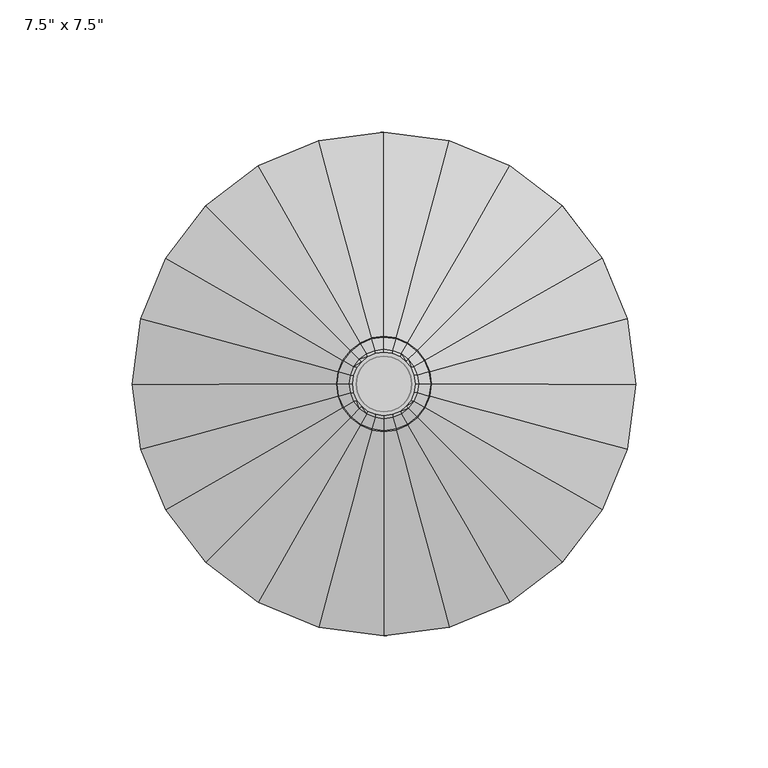
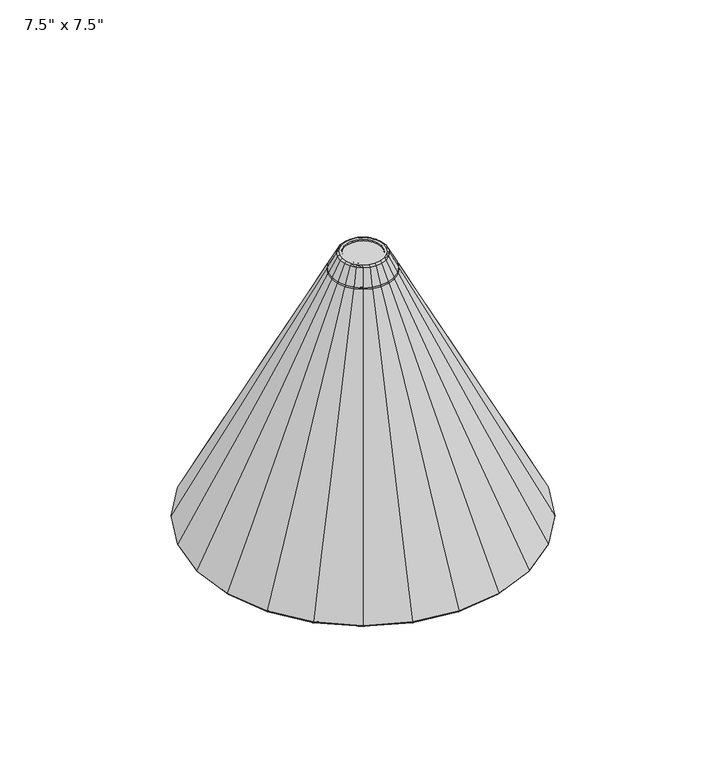
"""IFC4 building model written with IfcOpenShell, lengths in millimetres: furniture geometry."""

from ifc_helpers import new_model, si_unit, origin, place, context, project, spatial, triangles, source, transform, mapped, element, save


def furniture_ed0538de(model_context):
    return source(origin(), model_context, "Body", "Tessellation", [
        triangles([(-91.5980063, -24.5435691, -156.5808131), (-86.6872505, -23.2277383, -156.5808131), (-77.7216731, -44.872579, -156.5808131), (-82.1245384, -47.4145704, -156.5808131), (-63.4594986, -63.459435, -156.5808131), (-67.0544281, -67.0543555, -156.5808131), (-44.8726471, -77.7216368, -156.5808131), (-47.4146386, -82.124493, -156.5808131), (-23.2278109, -86.6872232, -156.5808131), (-24.5436463, -91.5979791, -156.5808131), (-4.18e-05, -89.7452397, -156.5808131), (-4.42e-05, -94.8292226, -156.5808131), (23.2277315, -86.6872505, -156.5808131), (24.54356, -91.5980063, -156.5808131), (44.8725699, -77.7216822, -156.5808131), (47.4145614, -82.1245384, -156.5808131), (63.4594259, -63.4595077, -156.5808131), (67.0543464, -67.0544281, -156.5808131), (77.7216368, -44.8726698, -156.5808131), (82.1244839, -47.4146704, -156.5808131), (86.6872232, -23.2278382, -156.5808131), (91.5979791, -24.5436758, -156.5808131), (89.7452397, 0.0, -156.5808131), (94.8292226, 0.0, -156.5808131), (88.8142827, 0.0, -156.5808131), (85.7880049, 22.9868282, -156.5808131), (86.6872414, 23.2277769, -156.5808131), (76.9154269, 44.4071414, -156.5808131), (77.7216549, 44.8726199, -156.5808131), (62.8011812, 62.8011812, -156.5808131), (63.4594623, 63.4594623, -156.5808131), (44.4071368, 76.9154269, -156.5808131), (44.8726108, 77.7216549, -156.5808131), (22.9868327, 85.7880049, -156.5808131), (23.2277792, 86.6872414, -156.5808131), (6.7e-06, 88.8142827, -156.5808131), (6.8e-06, 89.7452397, -156.5808131), (-22.9868168, 85.788023, -156.5808131), (-23.2277633, 86.6872505, -156.5808131), (-44.4071277, 76.9154269, -156.5808131), (-44.8726017, 77.7216549, -156.5808131), (-62.8011676, 62.8012039, -156.5808131), (-63.4594577, 63.459485, -156.5808131), (-76.9154178, 44.4071686, -156.5808131), (-77.7216459, 44.8726471, -156.5808131), (-85.7879958, 22.9868577, -156.5808131), (-86.6872232, 23.2278087, -156.5808131), (-88.8142827, 3.46e-05, -156.5808131), (-89.7452397, 3.5e-05, -156.5808131), (-85.788023, -22.9867896, -156.5808131), (-76.9154451, -44.407105, -156.5808131), (-62.8012176, -62.801154, -156.5808131), (-44.4071686, -76.9154178, -156.5808131), (-22.9868623, -85.7879958, -156.5808131), (-4.14e-05, -88.8142827, -156.5808131), (22.9867828, -85.788023, -156.5808131), (44.4070914, -76.9154541, -156.5808131), (62.8011358, -62.8012266, -156.5808131), (76.9154087, -44.4071913, -156.5808131), (85.7879958, -22.9868918, -156.5808131), (95.25, 0.0, -155.9011126), (92.0044223, 24.6525128, -155.9011126), (76.3369738, 20.4544314, -124.4590002), (79.0298509, 0.0, -124.4590002), (82.4889148, 47.625, -155.9011126), (68.4418525, 39.5149254, -124.4590002), (67.3519163, 67.3519163, -155.9011126), (55.8825401, 55.8825401, -124.4590002), (47.6249955, 82.4889148, -155.9011126), (39.5149209, 68.4418616, -124.4590002), (24.652515, 92.0044223, -155.9011126), (20.4544314, 76.3369738, -124.4590002), (7.2e-06, 95.25, -155.9011126), (6e-06, 79.0298509, -124.4590002), (-24.6524991, 92.0044314, -155.9011126), (-20.4544224, 76.3369829, -124.4590002), (-47.6249773, 82.4889148, -155.9011126), (-39.5149164, 68.4418662, -124.4590002), (-67.3518936, 67.35193, -155.9011126), (-55.8825265, 55.8825537, -124.4590002), (-82.4889057, 47.6250227, -155.9011126), (-68.4418435, 39.5149436, -124.4590002), (-92.0044223, 24.6525423, -155.9011126), (-76.3369648, 20.4544564, -124.4590002), (-95.25, 3.71e-05, -155.9011126), (-79.0298509, 3.08e-05, -124.4590002), (-92.0044405, -24.6524719, -155.9011126), (-76.3369829, -20.4543974, -124.4590002), (-82.4889421, -47.6249546, -155.9011126), (-68.4418753, -39.5148937, -124.4590002), (-67.3519436, -67.3518755, -155.9011126), (-55.8825719, -55.8825083, -124.4590002), (-47.6250227, -82.4889057, -155.9011126), (-39.5149482, -68.4418435, -124.4590002), (-24.6525491, -92.0044223, -155.9011126), (-20.4544632, -76.3369648, -124.4590002), (-4.43e-05, -95.25, -155.9011126), (-3.67e-05, -79.0298509, -124.4590002), (24.6524651, -92.0044405, -155.9011126), (20.4543906, -76.3369829, -124.4590002), (47.6249455, -82.4889421, -155.9011126), (39.5148846, -68.4418753, -124.4590002), (67.3518709, -67.3519618, -155.9011126), (55.8825083, -55.8825765, -124.4590002), (82.4888785, -47.625059, -155.9011126), (68.4418298, -39.5149709, -124.4590002), (92.0044132, -24.6525809, -155.9011126), (76.3369466, -20.4544859, -124.4590002), (60.3308333, 16.1655989, -92.3371872), (62.4590782, 0.0, -92.3371872), (54.0911478, 31.2295391, -92.3371872), (44.1652366, 44.1652366, -92.3371872), (31.2295368, 54.0911478, -92.3371872), (16.1656012, 60.3308333, -92.3371872), (4.7e-06, 62.4590782, -92.3371872), (-16.1655921, 60.3308424, -92.3371872), (-31.22953, 54.0911524, -92.3371872), (-44.1652275, 44.1652502, -92.3371872), (-54.0911387, 31.2295527, -92.3371872), (-60.3308333, 16.1656194, -92.3371872), (-62.4590782, 2.43e-05, -92.3371872), (-60.3308424, -16.1655717, -92.3371872), (-54.0911615, -31.2295118, -92.3371872), (-44.1652639, -44.1652184, -92.3371872), (-31.2295573, -54.0911387, -92.3371872), (-16.1656216, -60.3308287, -92.3371872), (-2.9e-05, -62.4590782, -92.3371872), (16.1655671, -60.3308424, -92.3371872), (31.2295073, -54.091166, -92.3371872), (44.1652094, -44.1652639, -92.3371872), (54.0911297, -31.2295732, -92.3371872), (60.3308242, -16.1656444, -92.3371872), (44.3246927, 11.8767653, -60.2153743), (45.888301, 0.0, -60.2153743), (39.740434, 22.9441505, -60.2153743), (32.4479263, 32.4479263, -60.2153743), (22.9441482, 39.740434, -60.2153743), (11.8767664, 44.3246927, -60.2153743), (3.5e-06, 45.888301, -60.2153743), (-11.8767607, 44.3246927, -60.2153743), (-22.9441437, 39.740434, -60.2153743), (-32.4479195, 32.4479331, -60.2153743), (-39.7404249, 22.9441596, -60.2153743), (-44.3246882, 11.8767812, -60.2153743), (-45.888301, 1.79e-05, -60.2153743), (-44.3247018, -11.876746, -60.2153743), (-39.7404431, -22.94413, -60.2153743), (-32.447949, -32.4479127, -60.2153743), (-22.9441641, -39.7404249, -60.2153743), (-11.8767835, -44.3246882, -60.2153743), (-2.13e-05, -45.888301, -60.2153743), (11.8767426, -44.3247018, -60.2153743), (22.9441255, -39.7404477, -60.2153743), (32.4479081, -32.447949, -60.2153743), (39.7404204, -22.9441755, -60.2153743), (44.3246836, -11.8767994, -60.2153743), (28.3185567, 7.5879345, -28.0935614), (29.317526, 0.0, -28.0935614), (25.3897225, 14.658763, -28.0935614), (20.7306205, 20.7306205, -28.0935614), (14.6587607, 25.3897225, -28.0935614), (7.5879351, 28.3185567, -28.0935614), (2.2e-06, 29.317526, -28.0935614), (-7.5879299, 28.3185567, -28.0935614), (-14.6587585, 25.3897225, -28.0935614), (-20.730616, 20.7306251, -28.0935614), (-25.389718, 14.6587709, -28.0935614), (-28.3185522, 7.587943, -28.0935614), (-29.317526, 1.14e-05, -28.0935614), (-28.318559, -7.587922, -28.0935614), (-25.3897293, -14.6587505, -28.0935614), (-20.7306342, -20.7306092, -28.0935614), (-14.6587709, -25.3897157, -28.0935614), (-7.5879453, -28.3185522, -28.0935614), (-1.36e-05, -29.317526, -28.0935614), (7.5879186, -28.318559, -28.0935614), (14.6587471, -25.3897316, -28.0935614), (20.7306092, -20.7306342, -28.0935614), (25.3897134, -14.6587789, -28.0935614), (28.3185476, -7.5879544, -28.0935614), (17.4961534, 4.6880803, -6.3747165), (18.113352, 0.0, -6.3747165), (15.686622, 9.056676, -6.3747165), (12.808072, 12.808072, -6.3747165), (9.056676, 15.6866243, -6.3747165), (4.6880803, 17.4961534, -6.3747165), (1.4e-06, 18.113352, -6.3747165), (-4.6880777, 17.4961534, -6.3747165), (-9.0566732, 15.6866243, -6.3747165), (-12.8080697, 12.8080765, -6.3747165), (-15.6866186, 9.0566789, -6.3747165), (-17.4961534, 4.6880859, -6.3747165), (-18.113352, 7.1e-06, -6.3747165), (-17.4961579, -4.6880726, -6.3747165), (-15.6866277, -9.0566681, -6.3747165), (-12.8080799, -12.8080675, -6.3747165), (-9.0566806, -15.6866186, -6.3747165), (-4.6880874, -17.49615, -6.3747165), (-8.4e-06, -18.113352, -6.3747165), (4.6880712, -17.4961579, -6.3747165), (9.0566658, -15.6866277, -6.3747165), (12.8080663, -12.8080822, -6.3747165), (15.6866163, -9.0566857, -6.3747165), (17.49615, -4.688093, -6.3747165), (12.6511026, 3.3898526, 3.3485442), (11.54761, 3.2991017, 4.0282309), (11.9819449, 0.0, 4.0282309), (13.0973848, 0.0, 3.3485442), (11.3426682, 6.5486924, 3.3485442), (10.2742037, 6.3733749, 4.0282309), (9.2612505, 9.2612505, 3.3485442), (8.4678482, 8.4678482, 4.0282309), (6.5486924, 11.3426693, 3.3485442), (6.3733749, 10.2742048, 4.0282309), (3.3898532, 12.6511026, 3.3485442), (3.2991017, 11.54761, 4.0282309), (0.0, 13.0973848, 3.3485442), (0.0, 11.9819449, 4.0282309), (-3.3898512, 12.6511026, 3.3485442), (-3.2991006, 11.5476111, 4.0282309), (-6.5486907, 11.3426693, 3.3485442), (-6.3733732, 10.2742059, 4.0282309), (-9.2612477, 9.2612522, 3.3485442), (-8.4678453, 8.4678505, 4.0282309), (-11.3426659, 6.5486958, 3.3485442), (-10.2742025, 6.3733778, 4.0282309), (-12.6511014, 3.3898568, 3.3485442), (-11.54761, 3.2991059, 4.0282309), (-13.0973848, 5.1e-06, 3.3485442), (-11.9819449, 4.8e-06, 4.0282309), (-12.6511048, -3.3898472, 3.3485442), (-11.5476123, -3.2990969, 4.0282309), (-11.3426704, -6.5486873, 3.3485442), (-10.2742071, -6.3733704, 4.0282309), (-9.2612551, -9.261246, 3.3485442), (-8.4678539, -8.4678436, 4.0282309), (-6.5486964, -11.3426648, 3.3485442), (-6.3733789, -10.2742014, 4.0282309), (-3.389858, -12.6511014, 3.3485442), (-3.2991062, -11.5476077, 4.0282309), (-6.1e-06, -13.0973848, 3.3485442), (-5.7e-06, -11.9819449, 4.0282309), (3.3898463, -12.6511048, 3.3485442), (3.2990957, -11.5476123, 4.0282309), (6.5486862, -11.3426727, 3.3485442), (6.3733687, -10.2742094, 4.0282309), (9.2612449, -9.2612562, 3.3485442), (8.4678436, -8.4678539, 4.0282309), (11.3426648, -6.5487004, 3.3485442), (10.2742003, -6.3733829, 4.0282309), (12.6511003, -3.3898622, 3.3485442), (11.5476077, -3.2991102, 4.0282309), (91.5979973, 24.54361, -156.5808131), (82.1245203, 47.4146113, -156.5808131), (67.0543827, 67.0543827, -156.5808131), (47.4146068, 82.1245203, -156.5808131), (24.5436123, 91.5979973, -156.5808131), (7.1e-06, 94.8292226, -156.5808131), (-24.5435964, 91.5980063, -156.5808131), (-47.4145931, 82.1245203, -156.5808131), (-67.0543691, 67.0544054, -156.5808131), (-82.1245112, 47.4146386, -156.5808131), (-91.5979791, 24.5436418, -156.5808131), (-94.8292226, 3.7e-05, -156.5808131), (17.6189316, 0.0, -5.4162738), (17.018581, 4.5601149, -5.4162738), (15.2584414, 8.8094658, -5.4162738), (12.4584658, 12.4584658, -5.4162738), (8.8094652, 15.2584425, -5.4162738), (4.5601152, 17.018581, -5.4162738), (1.3e-06, 17.6189316, -5.4162738), (-4.560113, 17.018581, -5.4162738), (-8.809463, 15.2584436, -5.4162738), (-12.4584624, 12.4584692, -5.4162738), (-15.2584391, 8.8094686, -5.4162738), (-17.0185788, 4.5601203, -5.4162738), (-17.6189316, 6.9e-06, -5.4162738), (-17.0185844, -4.5601073, -5.4162738), (-15.258447, -8.8094584, -5.4162738), (-12.4584715, -12.4584601, -5.4162738), (-8.8094703, -15.258438, -5.4162738), (-4.5601218, -17.0185776, -5.4162738), (-8.2e-06, -17.6189316, -5.4162738), (4.5601059, -17.0185844, -5.4162738), (8.8094567, -15.258447, -5.4162738), (12.458459, -12.4584749, -5.4162738), (15.2584368, -8.8094755, -5.4162738), (17.0185776, -4.5601274, -5.4162738), (16.1331541, 4.3228659, -5.5411907), (16.7022724, 0.0, -5.5411907), (17.0695579, 0.0, -6.2497854), (16.4879244, 4.417927, -6.2497854), (14.4645911, 8.3511362, -5.5411907), (14.7826699, 8.5347789, -6.2497854), (11.8102882, 11.8102882, -5.5411907), (12.069997, 12.069997, -6.2497854), (8.3511351, 14.4645911, -5.5411907), (8.5347778, 14.7826699, -6.2497854), (4.3228659, 16.1331541, -5.5411907), (4.417927, 16.4879244, -6.2497854), (1.3e-06, 16.7022702, -5.5411907), (1.3e-06, 17.0695579, -6.2497854), (-4.3228636, 16.1331541, -5.5411907), (-4.4179242, 16.4879244, -6.2497854), (-8.3511334, 14.4645911, -5.5411907), (-8.5347761, 14.7826721, -6.2497854), (-11.8102847, 11.8102904, -5.5411907), (-12.0699948, 12.0700016, -6.2497854), (-14.4645899, 8.3511391, -5.5411907), (-14.7826665, 8.5347806, -6.2497854), (-16.1331541, 4.322871, -5.5411907), (-16.4879244, 4.4179322, -6.2497854), (-16.7022724, 6.7e-06, -5.5411907), (-17.0695579, 6.8e-06, -6.2497854), (-16.1331552, -4.322858, -5.5411907), (-16.4879301, -4.4179185, -6.2497854), (-14.4645956, -8.3511283, -5.5411907), (-14.7826767, -8.5347704, -6.2497854), (-11.8102938, -11.8102825, -5.5411907), (-12.0700061, -12.0699948, -6.2497854), (-8.3511396, -14.4645877, -5.5411907), (-8.5347835, -14.7826653, -6.2497854), (-4.3228724, -16.1331541, -5.5411907), (-4.417933, -16.4879244, -6.2497854), (-7.8e-06, -16.7022724, -5.5411907), (-7.9e-06, -17.069559, -6.2497854), (4.3228577, -16.1331575, -5.5411907), (4.4179171, -16.4879301, -6.2497854), (8.3511277, -14.4645956, -5.5411907), (8.5347687, -14.7826767, -6.2497854), (11.8102825, -11.8102972, -5.5411907), (12.0699914, -12.0700061, -6.2497854), (14.4645843, -8.3511453, -5.5411907), (14.782663, -8.5347875, -6.2497854), (16.1331507, -4.3228767, -5.5411907), (16.4879244, -4.4179378, -6.2497854), (10.0841478, 2.8809972, 4.0282309), (10.4634374, 0.0, 4.0282309), (8.9721251, 5.5656589, 4.0282309), (7.3946931, 7.3946931, 4.0282309), (5.5656589, 8.9721251, 4.0282309), (2.8809972, 10.0841478, 4.0282309), (0.0, 10.4634374, 4.0282309), (-2.8809958, 10.0841478, 4.0282309), (-5.5656566, 8.9721251, 4.0282309), (-7.3946914, 7.3946953, 4.0282309), (-8.9721234, 5.5656611, 4.0282309), (-10.0841478, 2.8810009, 4.0282309), (-10.4634374, 4.2e-06, 4.0282309), (-10.0841501, -2.880993, 4.0282309), (-8.9721279, -5.5656543, 4.0282309), (-7.3946982, -7.3946902, 4.0282309), (-5.5656628, -8.9721222, 4.0282309), (-2.8810009, -10.0841478, 4.0282309), (-5e-06, -10.4634374, 4.0282309), (2.8809915, -10.0841501, 4.0282309), (5.5656532, -8.9721279, 4.0282309), (7.3946902, -7.3946982, 4.0282309), (8.9721222, -5.5656663, 4.0282309), (10.0841456, -2.8810046, 4.0282309), (10.4634374, 0.0, 2.9553324), (10.0841478, 2.8809972, 2.9553324), (0.0, 0.0, 2.9553324), (8.9721251, 5.5656589, 2.9553324), (7.3946931, 7.3946931, 2.9553324), (5.5656589, 8.9721251, 2.9553324), (2.8809972, 10.0841478, 2.9553324), (0.0, 10.4634374, 2.9553324), (-2.8809958, 10.0841478, 2.9553324), (-5.5656566, 8.9721251, 2.9553324), (-7.3946925, 7.3946953, 2.9553324), (-8.9721239, 5.5656611, 2.9553324), (-10.0841478, 2.8810009, 2.9553324), (-10.4634374, 4.2e-06, 2.9553324), (-10.0841501, -2.880993, 2.9553324), (-8.9721279, -5.5656543, 2.9553324), (-7.3946982, -7.3946902, 2.9553324), (-5.5656628, -8.9721222, 2.9553324), (-2.8810009, -10.0841478, 2.9553324), (-5e-06, -10.4634374, 2.9553324), (2.8809915, -10.0841501, 2.9553324), (5.5656532, -8.9721279, 2.9553324), (7.3946902, -7.3946982, 2.9553324), (8.9721222, -5.5656663, 2.9553324), (10.0841456, -2.8810046, 2.9553324)], [[1, 2, 3], [3, 4, 1], [4, 3, 5], [5, 6, 4], [6, 5, 7], [7, 8, 6], [8, 7, 9], [9, 10, 8], [10, 9, 11], [11, 12, 10], [12, 11, 13], [13, 14, 12], [14, 13, 15], [15, 16, 14], [16, 15, 17], [17, 18, 16], [18, 17, 19], [19, 20, 18], [20, 19, 21], [21, 22, 20], [22, 21, 23], [23, 24, 22], [25, 26, 27], [27, 23, 25], [26, 28, 29], [29, 27, 26], [28, 30, 31], [31, 29, 28], [30, 32, 33], [33, 31, 30], [32, 34, 35], [35, 33, 32], [34, 36, 37], [37, 35, 34], [36, 38, 39], [39, 37, 36], [38, 40, 41], [41, 39, 38], [40, 42, 43], [43, 41, 40], [42, 44, 45], [45, 43, 42], [44, 46, 47], [47, 45, 44], [46, 48, 49], [49, 47, 46], [48, 50, 2], [2, 49, 48], [50, 51, 3], [3, 2, 50], [51, 52, 5], [5, 3, 51], [52, 53, 7], [7, 5, 52], [53, 54, 9], [9, 7, 53], [54, 55, 11], [11, 9, 54], [55, 56, 13], [13, 11, 55], [56, 57, 15], [15, 13, 56], [57, 58, 17], [17, 15, 57], [58, 59, 19], [19, 17, 58], [59, 60, 21], [21, 19, 59], [60, 25, 23], [23, 21, 60], [61, 62, 63], [63, 64, 61], [62, 65, 66], [66, 63, 62], [65, 67, 68], [68, 66, 65], [67, 69, 70], [70, 68, 67], [69, 71, 72], [72, 70, 69], [71, 73, 74], [74, 72, 71], [73, 75, 76], [76, 74, 73], [75, 77, 78], [78, 76, 75], [77, 79, 80], [80, 78, 77], [79, 81, 82], [82, 80, 79], [81, 83, 84], [84, 82, 81], [83, 85, 86], [86, 84, 83], [85, 87, 88], [88, 86, 85], [87, 89, 90], [90, 88, 87], [89, 91, 92], [92, 90, 89], [91, 93, 94], [94, 92, 91], [93, 95, 96], [96, 94, 93], [95, 97, 98], [98, 96, 95], [97, 99, 100], [100, 98, 97], [99, 101, 102], [102, 100, 99], [101, 103, 104], [104, 102, 101], [103, 105, 106], [106, 104, 103], [105, 107, 108], [108, 106, 105], [107, 61, 64], [64, 108, 107], [64, 63, 109], [109, 110, 64], [63, 66, 111], [111, 109, 63], [66, 68, 112], [112, 111, 66], [68, 70, 113], [113, 112, 68], [70, 72, 114], [114, 113, 70], [72, 74, 115], [115, 114, 72], [74, 76, 116], [116, 115, 74], [76, 78, 117], [117, 116, 76], [78, 80, 118], [118, 117, 78], [80, 82, 119], [119, 118, 80], [82, 84, 120], [120, 119, 82], [84, 86, 121], [121, 120, 84], [86, 88, 122], [122, 121, 86], [88, 90, 123], [123, 122, 88], [90, 92, 124], [124, 123, 90], [92, 94, 125], [125, 124, 92], [94, 96, 126], [126, 125, 94], [96, 98, 127], [127, 126, 96], [98, 100, 128], [128, 127, 98], [100, 102, 129], [129, 128, 100], [102, 104, 130], [130, 129, 102], [104, 106, 131], [131, 130, 104], [106, 108, 132], [132, 131, 106], [108, 64, 110], [110, 132, 108], [110, 109, 133], [133, 134, 110], [109, 111, 135], [135, 133, 109], [111, 112, 136], [136, 135, 111], [112, 113, 137], [137, 136, 112], [113, 114, 138], [138, 137, 113], [114, 115, 139], [139, 138, 114], [115, 116, 140], [140, 139, 115], [116, 117, 141], [141, 140, 116], [117, 118, 142], [142, 141, 117], [118, 119, 143], [143, 142, 118], [119, 120, 144], [144, 143, 119], [120, 121, 145], [145, 144, 120], [121, 122, 146], [146, 145, 121], [122, 123, 147], [147, 146, 122], [123, 124, 148], [148, 147, 123], [124, 125, 149], [149, 148, 124], [125, 126, 150], [150, 149, 125], [126, 127, 151], [151, 150, 126], [127, 128, 152], [152, 151, 127], [128, 129, 153], [153, 152, 128], [129, 130, 154], [154, 153, 129], [130, 131, 155], [155, 154, 130], [131, 132, 156], [156, 155, 131], [132, 110, 134], [134, 156, 132], [134, 133, 157], [157, 158, 134], [133, 135, 159], [159, 157, 133], [135, 136, 160], [160, 159, 135], [136, 137, 161], [161, 160, 136], [137, 138, 162], [162, 161, 137], [138, 139, 163], [163, 162, 138], [139, 140, 164], [164, 163, 139], [140, 141, 165], [165, 164, 140], [141, 142, 166], [166, 165, 141], [142, 143, 167], [167, 166, 142], [143, 144, 168], [168, 167, 143], [144, 145, 169], [169, 168, 144], [145, 146, 170], [170, 169, 145], [146, 147, 171], [171, 170, 146], [147, 148, 172], [172, 171, 147], [148, 149, 173], [173, 172, 148], [149, 150, 174], [174, 173, 149], [150, 151, 175], [175, 174, 150], [151, 152, 176], [176, 175, 151], [152, 153, 177], [177, 176, 152], [153, 154, 178], [178, 177, 153], [154, 155, 179], [179, 178, 154], [155, 156, 180], [180, 179, 155], [156, 134, 158], [158, 180, 156], [157, 181, 182], [182, 158, 157], [159, 183, 181], [181, 157, 159], [160, 184, 183], [183, 159, 160], [161, 185, 184], [184, 160, 161], [162, 186, 185], [185, 161, 162], [163, 187, 186], [186, 162, 163], [164, 188, 187], [187, 163, 164], [165, 189, 188], [188, 164, 165], [166, 190, 189], [189, 165, 166], [167, 191, 190], [190, 166, 167], [168, 192, 191], [191, 167, 168], [169, 193, 192], [192, 168, 169], [170, 194, 193], [193, 169, 170], [171, 195, 194], [194, 170, 171], [172, 196, 195], [195, 171, 172], [173, 197, 196], [196, 172, 173], [174, 198, 197], [197, 173, 174], [175, 199, 198], [198, 174, 175], [176, 200, 199], [199, 175, 176], [177, 201, 200], [200, 176, 177], [178, 202, 201], [201, 177, 178], [179, 203, 202], [202, 178, 179], [180, 204, 203], [203, 179, 180], [158, 182, 204], [204, 180, 158], [205, 206, 207], [207, 208, 205], [209, 210, 206], [206, 205, 209], [211, 212, 210], [210, 209, 211], [213, 214, 212], [212, 211, 213], [215, 216, 214], [214, 213, 215], [217, 218, 216], [216, 215, 217], [219, 220, 218], [218, 217, 219], [221, 222, 220], [220, 219, 221], [223, 224, 222], [222, 221, 223], [225, 226, 224], [224, 223, 225], [227, 228, 226], [226, 225, 227], [229, 230, 228], [228, 227, 229], [231, 232, 230], [230, 229, 231], [233, 234, 232], [232, 231, 233], [235, 236, 234], [234, 233, 235], [237, 238, 236], [236, 235, 237], [239, 240, 238], [238, 237, 239], [241, 242, 240], [240, 239, 241], [243, 244, 242], [242, 241, 243], [245, 246, 244], [244, 243, 245], [247, 248, 246], [246, 245, 247], [249, 250, 248], [248, 247, 249], [251, 252, 250], [250, 249, 251], [208, 207, 252], [252, 251, 208], [61, 24, 253], [253, 62, 61], [62, 253, 254], [254, 65, 62], [65, 254, 255], [255, 67, 65], [67, 255, 256], [256, 69, 67], [69, 256, 257], [257, 71, 69], [71, 257, 258], [258, 73, 71], [73, 258, 259], [259, 75, 73], [75, 259, 260], [260, 77, 75], [77, 260, 261], [261, 79, 77], [79, 261, 262], [262, 81, 79], [81, 262, 263], [263, 83, 81], [83, 263, 264], [264, 85, 83], [85, 264, 1], [1, 87, 85], [87, 1, 4], [4, 89, 87], [89, 4, 6], [6, 91, 89], [91, 6, 8], [8, 93, 91], [93, 8, 10], [10, 95, 93], [95, 10, 12], [12, 97, 95], [97, 12, 14], [14, 99, 97], [99, 14, 16], [16, 101, 99], [101, 16, 18], [18, 103, 101], [103, 18, 20], [20, 105, 103], [105, 20, 22], [22, 107, 105], [107, 22, 24], [24, 61, 107], [205, 208, 265], [265, 266, 205], [209, 205, 266], [266, 267, 209], [211, 209, 267], [267, 268, 211], [213, 211, 268], [268, 269, 213], [215, 213, 269], [269, 270, 215], [217, 215, 270], [270, 271, 217], [219, 217, 271], [271, 272, 219], [221, 219, 272], [272, 273, 221], [223, 221, 273], [273, 274, 223], [225, 223, 274], [274, 275, 225], [227, 225, 275], [275, 276, 227], [229, 227, 276], [276, 277, 229], [231, 229, 277], [277, 278, 231], [233, 231, 278], [278, 279, 233], [235, 233, 279], [279, 280, 235], [237, 235, 280], [280, 281, 237], [239, 237, 281], [281, 282, 239], [241, 239, 282], [282, 283, 241], [243, 241, 283], [283, 284, 243], [245, 243, 284], [284, 285, 245], [247, 245, 285], [285, 286, 247], [249, 247, 286], [286, 287, 249], [251, 249, 287], [287, 288, 251], [208, 251, 288], [288, 265, 208], [289, 290, 291], [291, 292, 289], [293, 289, 292], [292, 294, 293], [295, 293, 294], [294, 296, 295], [297, 295, 296], [296, 298, 297], [299, 297, 298], [298, 300, 299], [301, 299, 300], [300, 302, 301], [303, 301, 302], [302, 304, 303], [305, 303, 304], [304, 306, 305], [307, 305, 306], [306, 308, 307], [309, 307, 308], [308, 310, 309], [311, 309, 310], [310, 312, 311], [313, 311, 312], [312, 314, 313], [315, 313, 314], [314, 316, 315], [317, 315, 316], [316, 318, 317], [319, 317, 318], [318, 320, 319], [321, 319, 320], [320, 322, 321], [323, 321, 322], [322, 324, 323], [325, 323, 324], [324, 326, 325], [327, 325, 326], [326, 328, 327], [329, 327, 328], [328, 330, 329], [331, 329, 330], [330, 332, 331], [333, 331, 332], [332, 334, 333], [335, 333, 334], [334, 336, 335], [290, 335, 336], [336, 291, 290], [182, 181, 292], [292, 291, 182], [181, 183, 294], [294, 292, 181], [183, 184, 296], [296, 294, 183], [184, 185, 298], [298, 296, 184], [185, 186, 300], [300, 298, 185], [186, 187, 302], [302, 300, 186], [187, 188, 304], [304, 302, 187], [188, 189, 306], [306, 304, 188], [189, 190, 308], [308, 306, 189], [190, 191, 310], [310, 308, 190], [191, 192, 312], [312, 310, 191], [192, 193, 314], [314, 312, 192], [193, 194, 316], [316, 314, 193], [194, 195, 318], [318, 316, 194], [195, 196, 320], [320, 318, 195], [196, 197, 322], [322, 320, 196], [197, 198, 324], [324, 322, 197], [198, 199, 326], [326, 324, 198], [199, 200, 328], [328, 326, 199], [200, 201, 330], [330, 328, 200], [201, 202, 332], [332, 330, 201], [202, 203, 334], [334, 332, 202], [203, 204, 336], [336, 334, 203], [204, 182, 291], [291, 336, 204], [207, 206, 337], [337, 338, 207], [206, 210, 339], [339, 337, 206], [210, 212, 340], [340, 339, 210], [212, 214, 341], [341, 340, 212], [214, 216, 342], [342, 341, 214], [216, 218, 343], [343, 342, 216], [218, 220, 344], [344, 343, 218], [220, 222, 345], [345, 344, 220], [222, 224, 346], [346, 345, 222], [224, 226, 347], [347, 346, 224], [226, 228, 348], [348, 347, 226], [228, 230, 349], [349, 348, 228], [230, 232, 350], [350, 349, 230], [232, 234, 351], [351, 350, 232], [234, 236, 352], [352, 351, 234], [236, 238, 353], [353, 352, 236], [238, 240, 354], [354, 353, 238], [240, 242, 355], [355, 354, 240], [242, 244, 356], [356, 355, 242], [244, 246, 357], [357, 356, 244], [246, 248, 358], [358, 357, 246], [248, 250, 359], [359, 358, 248], [250, 252, 360], [360, 359, 250], [252, 207, 338], [338, 360, 252], [361, 362, 363], [362, 364, 363], [364, 365, 363], [365, 366, 363], [366, 367, 363], [367, 368, 363], [368, 369, 363], [369, 370, 363], [370, 371, 363], [371, 372, 363], [372, 373, 363], [373, 374, 363], [374, 375, 363], [375, 376, 363], [376, 377, 363], [377, 378, 363], [378, 379, 363], [379, 380, 363], [380, 381, 363], [381, 382, 363], [382, 383, 363], [383, 384, 363], [384, 385, 363], [385, 361, 363], [375, 374, 349], [349, 350, 375], [376, 375, 350], [350, 351, 376], [377, 376, 351], [351, 352, 377], [378, 377, 352], [352, 353, 378], [379, 378, 353], [353, 354, 379], [380, 379, 354], [354, 355, 380], [381, 380, 355], [355, 356, 381], [382, 381, 356], [356, 357, 382], [383, 382, 357], [357, 358, 383], [384, 383, 358], [358, 359, 384], [385, 384, 359], [359, 360, 385], [361, 385, 360], [360, 338, 361], [24, 23, 27], [27, 253, 24], [253, 27, 29], [29, 254, 253], [254, 29, 31], [31, 255, 254], [255, 31, 33], [33, 256, 255], [256, 33, 35], [35, 257, 256], [257, 35, 37], [37, 258, 257], [258, 37, 39], [39, 259, 258], [259, 39, 41], [41, 260, 259], [260, 41, 43], [43, 261, 260], [261, 43, 45], [45, 262, 261], [262, 45, 47], [47, 263, 262], [263, 47, 49], [49, 264, 263], [264, 49, 2], [2, 1, 264]], closed=False),
        triangles([(88.8142827, 0.0, -156.5808131), (70.3815506, 0.0, -138.2142471), (67.9833685, 18.2160904, -138.2142471), (85.7880049, 22.9868282, -156.5808131), (60.9522161, 35.1907753, -138.2142471), (76.9154269, 44.4071414, -156.5808131), (49.7672793, 49.7672793, -138.2142471), (62.8011812, 62.8011812, -156.5808131), (35.1907753, 60.9522161, -138.2142471), (44.4071368, 76.9154269, -156.5808131), (18.2160904, 67.9833685, -138.2142471), (22.9868327, 85.7880049, -156.5808131), (5.3e-06, 70.3815506, -138.2142471), (6.7e-06, 88.8142827, -156.5808131), (-18.216079, 67.9833685, -138.2142471), (-22.9868168, 85.788023, -156.5808131), (-35.1907685, 60.9522161, -138.2142471), (-44.4071277, 76.9154269, -156.5808131), (-49.7672657, 49.7672975, -138.2142471), (-62.8011676, 62.8012039, -156.5808131), (-60.9522161, 35.190798, -138.2142471), (-76.9154178, 44.4071686, -156.5808131), (-67.9833595, 18.2161108, -138.2142471), (-85.7879958, 22.9868577, -156.5808131), (-70.3815506, 2.74e-05, -138.2142471), (-88.8142827, 3.46e-05, -156.5808131), (-67.9833685, -18.2160586, -138.2142471), (-85.788023, -22.9867896, -156.5808131), (-60.9522388, -35.1907458, -138.2142471), (-76.9154451, -44.407105, -156.5808131), (-49.7673111, -49.7672611, -138.2142471), (-62.8012176, -62.801154, -156.5808131), (-35.190798, -60.9522116, -138.2142471), (-44.4071686, -76.9154178, -156.5808131), (-18.2161131, -67.9833595, -138.2142471), (-22.9868623, -85.7879958, -156.5808131), (-3.28e-05, -70.3815506, -138.2142471), (-4.14e-05, -88.8142827, -156.5808131), (18.2160529, -67.9833685, -138.2142471), (22.9867828, -85.788023, -156.5808131), (35.190739, -60.9522434, -138.2142471), (44.4070914, -76.9154541, -156.5808131), (49.767243, -49.7673111, -138.2142471), (62.8011358, -62.8012266, -156.5808131), (60.9521934, -35.1908207, -138.2142471), (76.9154087, -44.4071913, -156.5808131), (67.9833595, -18.2161392, -138.2142471), (85.7879958, -22.9868918, -156.5808131), (66.4894508, 17.8157946, -136.6731802), (68.8349472, 0.0, -136.6731802), (0.0, 0.0, -136.6731529), (59.612813, 34.4174736, -136.6731802), (48.6736551, 48.6736551, -136.6731802), (34.4174645, 59.612813, -136.6731802), (17.815798, 66.4894508, -136.6731802), (5.2e-06, 68.8349472, -136.6731802), (-17.8157855, 66.4894599, -136.6731802), (-34.4174622, 59.612813, -136.6731802), (-48.6736506, 48.6736687, -136.6731802), (-59.612813, 34.4174918, -136.6731802), (-66.4894372, 17.8158173, -136.6731802), (-68.8349472, 2.68e-05, -136.6731802), (-66.4894599, -17.8157651, -136.6731802), (-59.6128311, -34.4174441, -136.6731802), (-48.6736914, -48.6736369, -136.6731802), (-34.4174918, -59.6128084, -136.6731802), (-17.8158207, -66.4894372, -136.6731802), (-3.21e-05, -68.8349472, -136.6731802), (17.8157594, -66.4894599, -136.6731802), (34.417435, -59.6128311, -136.6731802), (48.6736233, -48.6736914, -136.6731802), (59.6127903, -34.4175099, -136.6731802), (66.4894372, -17.8158434, -136.6731802), (17.018581, 4.5601149, -5.4162738), (17.6189316, 0.0, -5.4162738), (16.7022724, 0.0, -5.5411907), (16.1331541, 4.3228659, -5.5411907), (17.0185776, -4.5601274, -5.4162738), (16.1331507, -4.3228767, -5.5411907), (15.2584368, -8.8094755, -5.4162738), (14.4645843, -8.3511453, -5.5411907), (12.458459, -12.4584749, -5.4162738), (11.8102825, -11.8102972, -5.5411907), (8.8094567, -15.258447, -5.4162738), (8.3511277, -14.4645956, -5.5411907), (4.5601059, -17.0185844, -5.4162738), (4.3228577, -16.1331575, -5.5411907), (-8.2e-06, -17.6189316, -5.4162738), (-7.8e-06, -16.7022724, -5.5411907), (-4.5601218, -17.0185776, -5.4162738), (-4.3228724, -16.1331541, -5.5411907), (-8.8094703, -15.258438, -5.4162738), (-8.3511396, -14.4645877, -5.5411907), (-12.4584715, -12.4584601, -5.4162738), (-11.8102938, -11.8102825, -5.5411907), (-15.258447, -8.8094584, -5.4162738), (-14.4645956, -8.3511283, -5.5411907), (-17.0185844, -4.5601073, -5.4162738), (-16.1331552, -4.322858, -5.5411907), (-17.6189316, 6.9e-06, -5.4162738), (-16.7022724, 6.7e-06, -5.5411907), (-17.0185788, 4.5601203, -5.4162738), (-16.1331541, 4.322871, -5.5411907), (-15.2584391, 8.8094686, -5.4162738), (-14.4645899, 8.3511391, -5.5411907), (-12.4584624, 12.4584692, -5.4162738), (-11.8102847, 11.8102904, -5.5411907), (-8.809463, 15.2584436, -5.4162738), (-8.3511334, 14.4645911, -5.5411907), (-4.560113, 17.018581, -5.4162738), (-4.3228636, 16.1331541, -5.5411907), (1.3e-06, 17.6189316, -5.4162738), (1.3e-06, 16.7022702, -5.5411907), (4.5601152, 17.018581, -5.4162738), (4.3228659, 16.1331541, -5.5411907), (8.8094652, 15.2584425, -5.4162738), (8.3511351, 14.4645911, -5.5411907), (12.4584658, 12.4584658, -5.4162738), (11.8102882, 11.8102882, -5.5411907), (15.2584414, 8.8094658, -5.4162738), (14.4645911, 8.3511362, -5.5411907), (10.0841478, 2.8809972, 4.0282309), (10.4634374, 0.0, 3.9081128), (8.9721251, 5.5656589, 4.0282309), (7.3946931, 7.3946931, 4.0282309), (5.5656589, 8.9721251, 4.0282309), (2.8809972, 10.0841478, 4.0282309), (0.0, 10.4634374, 4.0282309), (-2.8809958, 10.0841478, 4.0282309), (-5.5656566, 8.9721251, 4.0282309), (-7.3946914, 7.3946953, 4.0282309), (-8.9721234, 5.5656611, 4.0282309), (-10.0841478, 2.8810009, 4.0282309), (-10.4634374, 4.2e-06, 4.0282309), (10.0841478, 2.8809972, 3.053099), (10.4634374, 0.0, 2.9553324), (8.9721239, 5.5656589, 3.053099), (7.3946931, 7.3946931, 3.053099), (5.5656589, 8.9721239, 3.053099), (2.8809972, 10.0841478, 3.053099), (0.0, 10.4634374, 3.053099), (-2.8809958, 10.0841478, 3.053099), (-5.5656566, 8.9721251, 3.053099), (-7.3946925, 7.3946953, 3.053099), (-8.9721239, 5.5656611, 3.053099), (-10.0841478, 2.8810009, 3.053099), (-10.4634374, 4.2e-06, 2.9553324)], [[1, 2, 3], [3, 4, 1], [4, 3, 5], [5, 6, 4], [6, 5, 7], [7, 8, 6], [8, 7, 9], [9, 10, 8], [10, 9, 11], [11, 12, 10], [12, 11, 13], [13, 14, 12], [14, 13, 15], [15, 16, 14], [16, 15, 17], [17, 18, 16], [18, 17, 19], [19, 20, 18], [20, 19, 21], [21, 22, 20], [22, 21, 23], [23, 24, 22], [24, 23, 25], [25, 26, 24], [26, 25, 27], [27, 28, 26], [28, 27, 29], [29, 30, 28], [30, 29, 31], [31, 32, 30], [32, 31, 33], [33, 34, 32], [34, 33, 35], [35, 36, 34], [36, 35, 37], [37, 38, 36], [38, 37, 39], [39, 40, 38], [40, 39, 41], [41, 42, 40], [42, 41, 43], [43, 44, 42], [44, 43, 45], [45, 46, 44], [46, 45, 47], [47, 48, 46], [48, 47, 2], [2, 1, 48], [49, 50, 51], [52, 49, 51], [53, 52, 51], [54, 53, 51], [55, 54, 51], [56, 55, 51], [57, 56, 51], [58, 57, 51], [59, 58, 51], [60, 59, 51], [61, 60, 51], [62, 61, 51], [63, 62, 51], [64, 63, 51], [65, 64, 51], [66, 65, 51], [67, 66, 51], [68, 67, 51], [69, 68, 51], [70, 69, 51], [71, 70, 51], [72, 71, 51], [73, 72, 51], [50, 73, 51], [50, 49, 3], [3, 2, 50], [49, 52, 5], [5, 3, 49], [52, 53, 7], [7, 5, 52], [53, 54, 9], [9, 7, 53], [54, 55, 11], [11, 9, 54], [55, 56, 13], [13, 11, 55], [56, 57, 15], [15, 13, 56], [57, 58, 17], [17, 15, 57], [58, 59, 19], [19, 17, 58], [59, 60, 21], [21, 19, 59], [60, 61, 23], [23, 21, 60], [61, 62, 25], [25, 23, 61], [62, 63, 27], [27, 25, 62], [63, 64, 29], [29, 27, 63], [64, 65, 31], [31, 29, 64], [65, 66, 33], [33, 31, 65], [66, 67, 35], [35, 33, 66], [67, 68, 37], [37, 35, 67], [68, 69, 39], [39, 37, 68], [69, 70, 41], [41, 39, 69], [70, 71, 43], [43, 41, 70], [71, 72, 45], [45, 43, 71], [72, 73, 47], [47, 45, 72], [73, 50, 2], [2, 47, 73], [74, 75, 76], [76, 77, 74], [75, 78, 79], [79, 76, 75], [78, 80, 81], [81, 79, 78], [80, 82, 83], [83, 81, 80], [82, 84, 85], [85, 83, 82], [84, 86, 87], [87, 85, 84], [86, 88, 89], [89, 87, 86], [88, 90, 91], [91, 89, 88], [90, 92, 93], [93, 91, 90], [92, 94, 95], [95, 93, 92], [94, 96, 97], [97, 95, 94], [96, 98, 99], [99, 97, 96], [98, 100, 101], [101, 99, 98], [100, 102, 103], [103, 101, 100], [102, 104, 105], [105, 103, 102], [104, 106, 107], [107, 105, 104], [106, 108, 109], [109, 107, 106], [108, 110, 111], [111, 109, 108], [110, 112, 113], [113, 111, 110], [112, 114, 115], [115, 113, 112], [114, 116, 117], [117, 115, 114], [116, 118, 119], [119, 117, 116], [118, 120, 121], [121, 119, 118], [120, 74, 77], [77, 121, 120], [135, 136, 123], [123, 122, 135], [137, 135, 122], [122, 124, 137], [138, 137, 124], [124, 125, 138], [139, 138, 125], [125, 126, 139], [140, 139, 126], [126, 127, 140], [141, 140, 127], [127, 128, 141], [142, 141, 128], [128, 129, 142], [143, 142, 129], [129, 130, 143], [144, 143, 130], [130, 131, 144], [145, 144, 131], [131, 132, 145], [146, 145, 132], [132, 133, 146], [147, 146, 133], [133, 134, 147]], closed=False),
    ])


if __name__ == "__main__":
    model = new_model("IFC4")
    model_context = context("Model", 3, world=origin())
    ifc_project = project(units=[si_unit("LENGTHUNIT", "METRE", prefix="MILLI")], contexts=[model_context])
    site = spatial("IfcSite", under=ifc_project)
    building = spatial("IfcBuilding", under=site)
    placement = place(None, origin())
    furniture_shape = furniture_ed0538de(model_context)
    element("IfcFurniture", 1, ObjectType="7.5\" x 7.5\"", at=placement, inside=building, context=model_context, shape_type="MappedRepresentation", body=[
        mapped(furniture_shape, transform((0.0, 0.0, 0.0), x_axis=(1.0, 0.0, 0.0), y_axis=(0.0, 1.0, 0.0), z_axis=(0.0, 0.0, 1.0))),
    ])
    save(model, "model.ifc")
